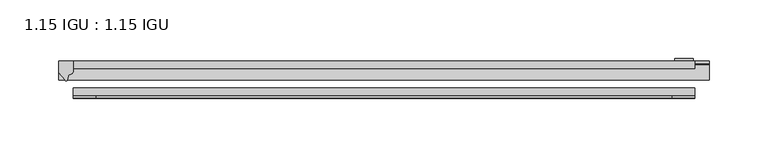
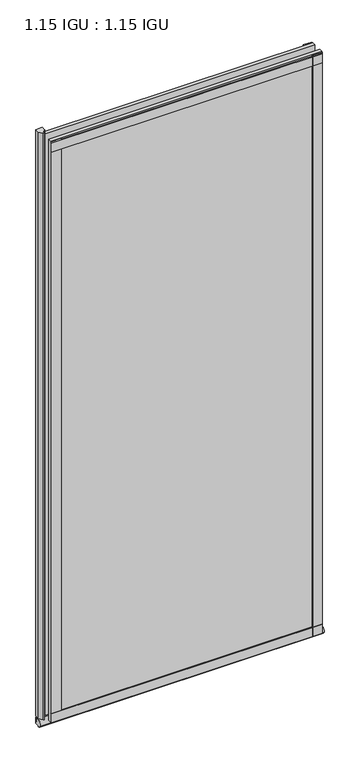
"""IFC4 building model written with IfcOpenShell, lengths in millimetres: plate geometry, 1.15 IGU : 1.15 IGU."""

from ifc_helpers import new_model, si_unit, point, frame, frame_2d, origin, place, context, project, spatial, polyline, circle_curve, ellipse_curve, trimmed, segment, composite_curve, outline, extrude, source, transform, mapped, element, save
from ifc_brep_helpers import plane_surface, revolved_surface, extruded_surface, advanced_brep


def plate_1_15_igu_1_15_igu_cab2febd(model_context):
    return source(origin(), model_context, "Body", "SolidModel", [
        extrude(outline(polyline([(265.11885, 0.0), (265.11885, -6.2992), (-265.11885, -6.2992), (-265.11885, 0.0), (265.11885, 0.0)])), frame((0.0, 0.0, -19.05), z_axis=(0.0, 0.0, 1.0), x_axis=(1.0, 0.0, 0.0)), (0.0, 0.0, 1.0), 1203.325),
        extrude(outline(polyline([(-265.11885, -23.1648), (265.11885, -23.1648), (265.11885, -29.464), (-265.11885, -29.464), (-265.11885, -23.1648)])), frame((0.0, 0.0, -19.05), z_axis=(0.0, 0.0, 1.0), x_axis=(1.0, 0.0, 0.0)), (0.0, 0.0, 1.0), 1203.325),
        advanced_brep(
        [(277.81885, -2.9334208, -29.3692082), (277.81885, -15.7658436, -30.8313288), (277.81885, -6.7904952, -34.925), (277.81885, 0.0, -34.925), (277.81885, 0.0, -22.225), (277.81885, -2.5187477, -22.225), (-277.81885, -2.9073519, -29.3720514), (-277.81885, -2.5187477, -22.225), (-277.81885, 0.0, -22.225), (-277.81885, 0.0, -34.925), (-277.81885, -6.7904952, -34.925), (-277.81885, -15.7658436, -30.8313288)],
        [
            (0, 1, ellipse_curve(frame((277.81885, -9.5065066, -28.575), z_axis=(1.0, 0.0, 0.0), x_axis=(0.0, 0.0, -1.0)), 6.9638038, 6.6162554)),
            (1, 2, ellipse_curve(frame((277.81885, -9.5065066, -28.575), z_axis=(1.0, 0.0, 0.0), x_axis=(0.0, 0.0, -1.0)), 6.9638038, 6.6162554)),
            (2, 3),
            (3, 4, circle_curve(frame((277.81885, 24.1576838, -28.575), z_axis=(-1.0, 0.0, 0.0), x_axis=(0.0, 0.0, 1.0)), 24.9783143)),
            (4, 5),
            (5, 0, circle_curve(frame((277.81885, -68.4358767, -22.225), z_axis=(-1.0, 0.0, 0.0), x_axis=(0.0, 0.0, 1.0)), 65.917129)),
            (6, 7, circle_curve(frame((-277.81885, -68.4358767, -22.225), z_axis=(1.0, 0.0, 0.0), x_axis=(0.0, 0.0, 1.0)), 65.917129)),
            (7, 8),
            (8, 9, circle_curve(frame((-277.81885, 24.1576838, -28.575), z_axis=(1.0, 0.0, 0.0), x_axis=(0.0, 0.0, 1.0)), 24.9783143)),
            (9, 10),
            (10, 11, ellipse_curve(frame((-277.81885, -9.5065066, -28.575), z_axis=(-1.0, 0.0, 0.0), x_axis=(0.0, 0.0, -1.0)), 6.9638038, 6.6162554)),
            (11, 6, ellipse_curve(frame((-277.81885, -9.5065066, -28.575), z_axis=(-1.0, 0.0, 0.0), x_axis=(0.0, 0.0, -1.0)), 6.9638038, 6.6162554)),
            (0, 6),
            (11, 1),
            (10, 2),
            (9, 3),
            (8, 4),
            (7, 5),
        ],
        [
            plane_surface(frame((277.81885, 0.0, -28.575), z_axis=(1.0, 0.0, 0.0), x_axis=(0.0, 1.0, 0.0))),
            plane_surface(frame((-277.81885, 0.0, -28.575), z_axis=(-1.0, 0.0, 0.0), x_axis=(0.0, 1.0, 0.0))),
            extruded_surface(trimmed(ellipse_curve(frame((-277.81885, -9.5065066, -28.575), z_axis=(1.0, 0.0, 0.0), x_axis=(0.0, 0.0, -1.0)), 6.9638038, 6.6162554), [point((-277.81885, -2.9334208, -29.3692082))], [point((-277.81885, -15.7658436, -30.8313288))], True, "CARTESIAN"), (555.6377, 0.0, 0.0), 555.6377),
            extruded_surface(trimmed(ellipse_curve(frame((-277.81885, -9.5065066, -28.575), z_axis=(1.0, 0.0, 0.0), x_axis=(0.0, 0.0, -1.0)), 6.9638038, 6.6162554), [point((-277.81885, -15.7658436, -30.8313288))], [point((-277.81885, -6.7904952, -34.925))], True, "CARTESIAN"), (555.6377, 0.0, 0.0), 555.6377),
            plane_surface(frame((277.81885, -6.7904952, -34.925), z_axis=(0.0, 0.0, -1.0), x_axis=(-1.0, 0.0, 0.0))),
            revolved_surface(polyline([(-277.81885, 24.1576838, -3.5966856999999983), (277.81885, 24.1576838, -3.5966856999999983)]), (277.81885, 24.1576838, -28.575), (-1.0, 0.0, 0.0)),
            plane_surface(frame((277.81885, 0.0, -22.225), z_axis=(0.0, 0.0, 1.0), x_axis=(-1.0, 0.0, 0.0))),
            revolved_surface(polyline([(-277.81885, -68.4358767, 43.692129), (277.81885, -68.4358767, 43.692129)]), (277.81885, -68.4358767, -22.225), (-1.0, 0.0, 0.0)),
        ],
        [
            (0, [[1, 2, 3, 4, 5, 6]]),
            (1, [[7, 8, 9, 10, 11, 12]]),
            (2, [[-1, 13, -12, 14]]),
            (3, [[-2, -14, -11, 15]]),
            (4, [[-3, -15, -10, 16]]),
            (5, [[-4, -16, -9, 17]]),
            (6, [[-5, -17, -8, 18]]),
            (7, [[-6, -18, -7, -13]]),
        ],
    ),
        extrude(outline(composite_curve([segment(polyline([(-265.11885, 8.8e-06), (-265.11885, -7.7683362)]), True, "CONTINUOUS"), segment(trimmed(circle_curve(frame_2d((-269.0903479, -7.7683362)), 3.9714979), [point((-265.11885, -7.7683362))], [point((-269.2177998, -11.7377885))], False, "CARTESIAN"), True, "CONTINUOUS"), segment(polyline([(-269.2177998, -11.7377885), (-270.1978343, -16.012436)]), True, "CONTINUOUS"), segment(trimmed(circle_curve(frame_2d((-271.2990433, -15.7723555)), 1.1270758), [point((-270.1978343, -16.012436))], [point((-272.2528827, -16.372764))], False, "CARTESIAN"), True, "CONTINUOUS"), segment(polyline([(-272.2528827, -16.372764), (-277.81885, -9.7395025), (-277.81885, 8.8e-06), (-265.11885, 8.8e-06)]), True, "CONTINUOUS")], self_intersect=False)), frame((0.0, 0.0, -19.05), z_axis=(0.0, 0.0, 1.0), x_axis=(1.0, 0.0, 0.0)), (0.0, 0.0, 1.0), 1213.6374),
        extrude(outline(polyline([(-265.11885, -31.75), (-265.11885, -29.464), (265.11885, -29.464), (265.11885, -31.75), (-265.11885, -31.75)])), frame((0.0, 0.0, -19.05), z_axis=(0.0, 0.0, 1.0), x_axis=(1.0, 0.0, 0.0)), (0.0, 0.0, 1.0), 19.05),
        extrude(outline(polyline([(-265.11885, -31.75), (-265.11885, -29.464), (265.11885, -29.464), (265.11885, -31.75), (-265.11885, -31.75)])), frame((0.0, 0.0, 1162.05), z_axis=(0.0, 0.0, 1.0), x_axis=(1.0, 0.0, 0.0)), (0.0, 0.0, 1.0), 19.05),
        extrude(outline(polyline([(246.06885, -29.464), (265.11885, -29.464), (265.11885, -31.75), (246.06885, -31.75), (246.06885, -29.464)])), frame((0.0, 0.0, -19.05), z_axis=(0.0, 0.0, 1.0), x_axis=(1.0, 0.0, 0.0)), (0.0, 0.0, 1.0), 1203.325),
        extrude(outline(polyline([(263.91235, 2.2860088), (263.91235, 0.0021347), (248.03735, 0.0021347), (248.03735, 2.2860088), (263.91235, 2.2860088)])), frame((0.0, 0.0, -19.05), z_axis=(0.0, 0.0, 1.0), x_axis=(1.0, 0.0, 0.0)), (0.0, 0.0, 1.0), 1203.325),
        extrude(outline(polyline([(-265.11885, -31.75), (-265.11885, -29.464), (-246.06885, -29.464), (-246.06885, -31.75), (-265.11885, -31.75)])), frame((0.0, 0.0, -19.05), z_axis=(0.0, 0.0, 1.0), x_axis=(1.0, 0.0, 0.0)), (0.0, 0.0, 1.0), 1203.325),
    ])


if __name__ == "__main__":
    model = new_model("IFC4")
    model_context = context("Model", 3, world=origin())
    ifc_project = project(units=[si_unit("LENGTHUNIT", "METRE", prefix="MILLI")], contexts=[model_context])
    site = spatial("IfcSite", under=ifc_project)
    building = spatial("IfcBuilding", under=site)
    placement = place(None, origin())
    plate_1_15_igu_1_15_igu_shape = plate_1_15_igu_1_15_igu_cab2febd(model_context)
    element("IfcPlate", 1, ObjectType="1.15 IGU : 1.15 IGU", at=placement, inside=building, context=model_context, shape_type="MappedRepresentation", body=[
        mapped(plate_1_15_igu_1_15_igu_shape, transform((0.0, 0.0, 0.0), x_axis=(1.0, 0.0, 0.0), y_axis=(0.0, 1.0, 0.0), z_axis=(0.0, 0.0, 1.0))),
    ])
    save(model, "model.ifc")
